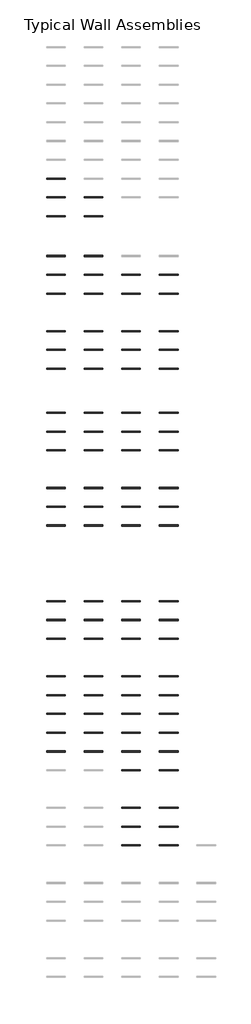
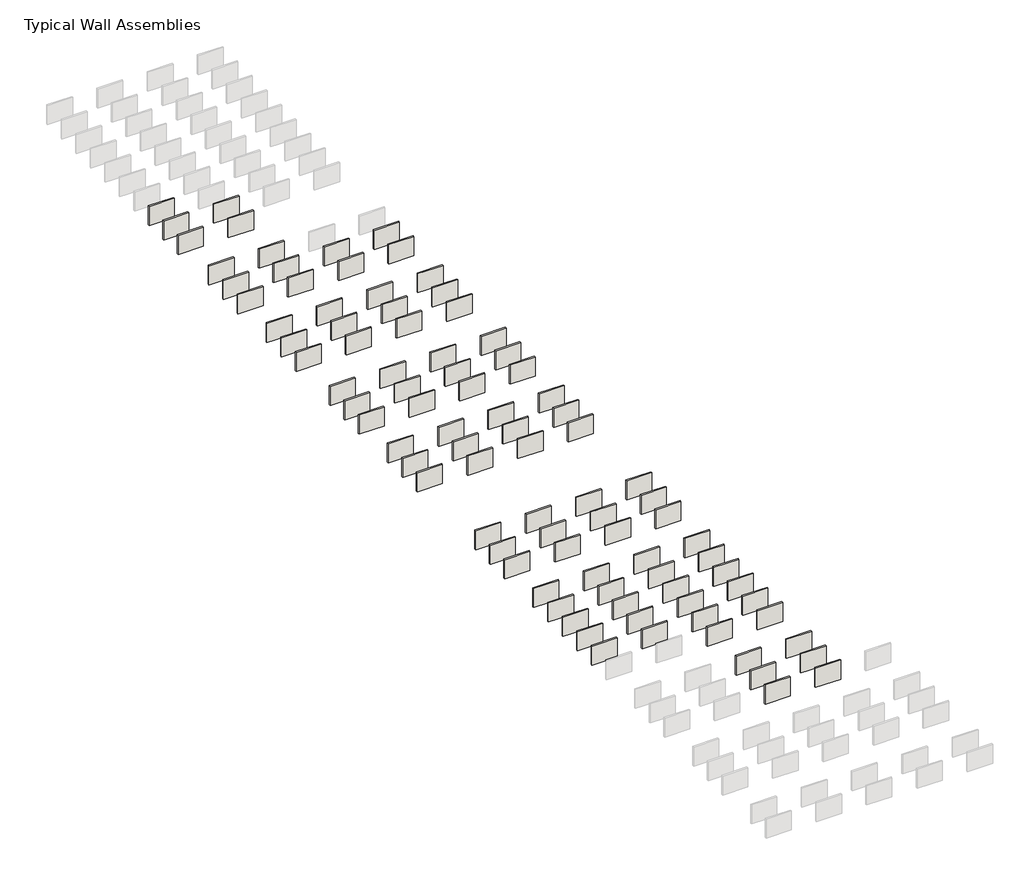
# One storey, part 2 of 8: 91 walls.
"""IFC4 building model written with IfcOpenShell, lengths in millimetres."""

from ifc_helpers import new_model, si_unit, frame, origin, place, context, project, spatial, polyline, outline, extrude, element, save

model = new_model("IFC4")

# Units and contexts
model_context = context("Model", 3, world=origin())
ifc_project = project(units=[si_unit("LENGTHUNIT", "METRE", prefix="MILLI")], contexts=[model_context])

# Site, building, storey
site = spatial("IfcSite", under=ifc_project)
building = spatial("IfcBuilding", under=site)
storey = spatial("IfcBuildingStorey", under=building, Name="Typical Wall Assemblies", Elevation=6096.0)

# Walls
placement = place(None, origin())
element("IfcWall", 1, at=placement, inside=storey, context=model_context, shape_type="SweptSolid", body=[
    extrude(outline(polyline([(-21027.125069, -62733.9091546), (-24075.125069, -62733.9091546), (-24075.125069, -62556.1218505), (-21027.125069, -62556.1218505), (-21027.125069, -62733.9091546)])), frame((0.0, 0.0, 6096.0), z_axis=(0.0, 0.0, 1.0), x_axis=(1.0, 0.0, 0.0)), (0.0, 0.0, 1.0), 2438.4),
])
element("IfcWall", 2, at=placement, inside=storey, context=model_context, shape_type="SweptSolid", body=[
    extrude(outline(polyline([(-21027.125069, -65781.9091546), (-24075.125069, -65781.9091546), (-24075.125069, -65604.1218505), (-21027.125069, -65604.1218505), (-21027.125069, -65781.9091546)])), frame((0.0, 0.0, 6096.0), z_axis=(0.0, 0.0, 1.0), x_axis=(1.0, 0.0, 0.0)), (0.0, 0.0, 1.0), 2438.4),
])
element("IfcWall", 3, at=placement, inside=storey, context=model_context, shape_type="SweptSolid", body=[
    extrude(outline(polyline([(-21027.125069, -68829.9091546), (-24075.125069, -68829.9091546), (-24075.125069, -68652.1218505), (-21027.125069, -68652.1218505), (-21027.125069, -68829.9091546)])), frame((0.0, 0.0, 6096.0), z_axis=(0.0, 0.0, 1.0), x_axis=(1.0, 0.0, 0.0)), (0.0, 0.0, 1.0), 2438.4),
])
element("IfcWall", 4, at=placement, inside=storey, context=model_context, shape_type="SweptSolid", body=[
    extrude(outline(polyline([(-21027.125069, -74925.9091546), (-24075.125069, -74925.9091546), (-24075.125069, -74748.1218505), (-21027.125069, -74748.1218505), (-21027.125069, -74925.9091546)])), frame((0.0, 0.0, 6096.0), z_axis=(0.0, 0.0, 1.0), x_axis=(1.0, 0.0, 0.0)), (0.0, 0.0, 1.0), 2438.4),
])
element("IfcWall", 5, at=placement, inside=storey, context=model_context, shape_type="SweptSolid", body=[
    extrude(outline(polyline([(-14931.125069, -62733.9091546), (-17979.125069, -62733.9091546), (-17979.125069, -62556.1218505), (-14931.125069, -62556.1218505), (-14931.125069, -62733.9091546)])), frame((0.0, 0.0, 6096.0), z_axis=(0.0, 0.0, 1.0), x_axis=(1.0, 0.0, 0.0)), (0.0, 0.0, 1.0), 2438.4),
])
element("IfcWall", 6, at=placement, inside=storey, context=model_context, shape_type="SweptSolid", body=[
    extrude(outline(polyline([(-14931.125069, -65781.9091546), (-17979.125069, -65781.9091546), (-17979.125069, -65604.1218505), (-14931.125069, -65604.1218505), (-14931.125069, -65781.9091546)])), frame((0.0, 0.0, 6096.0), z_axis=(0.0, 0.0, 1.0), x_axis=(1.0, 0.0, 0.0)), (0.0, 0.0, 1.0), 2438.4),
])
element("IfcWall", 7, at=placement, inside=storey, context=model_context, shape_type="SweptSolid", body=[
    extrude(outline(polyline([(-8835.125069, -65781.9091546), (-11883.125069, -65781.9091546), (-11883.125069, -65604.1218505), (-8835.125069, -65604.1218505), (-8835.125069, -65781.9091546)])), frame((0.0, 0.0, 6096.0), z_axis=(0.0, 0.0, 1.0), x_axis=(1.0, 0.0, 0.0)), (0.0, 0.0, 1.0), 2438.4),
])
element("IfcWall", 8, at=placement, inside=storey, context=model_context, shape_type="SweptSolid", body=[
    extrude(outline(polyline([(-2739.125069, -65781.9091546), (-5787.125069, -65781.9091546), (-5787.125069, -65604.1218505), (-2739.125069, -65604.1218505), (-2739.125069, -65781.9091546)])), frame((0.0, 0.0, 6096.0), z_axis=(0.0, 0.0, 1.0), x_axis=(1.0, 0.0, 0.0)), (0.0, 0.0, 1.0), 2438.4),
])
element("IfcWall", 9, at=placement, inside=storey, context=model_context, shape_type="SweptSolid", body=[
    extrude(outline(polyline([(-14931.125069, -68829.9091546), (-17979.125069, -68829.9091546), (-17979.125069, -68652.1218505), (-14931.125069, -68652.1218505), (-14931.125069, -68829.9091546)])), frame((0.0, 0.0, 6096.0), z_axis=(0.0, 0.0, 1.0), x_axis=(1.0, 0.0, 0.0)), (0.0, 0.0, 1.0), 2438.4),
])
element("IfcWall", 10, at=placement, inside=storey, context=model_context, shape_type="SweptSolid", body=[
    extrude(outline(polyline([(-8835.125069, -68829.9091546), (-11883.125069, -68829.9091546), (-11883.125069, -68652.1218505), (-8835.125069, -68652.1218505), (-8835.125069, -68829.9091546)])), frame((0.0, 0.0, 6096.0), z_axis=(0.0, 0.0, 1.0), x_axis=(1.0, 0.0, 0.0)), (0.0, 0.0, 1.0), 2438.4),
])
element("IfcWall", 11, at=placement, inside=storey, context=model_context, shape_type="SweptSolid", body=[
    extrude(outline(polyline([(-2739.125069, -68829.9091546), (-5787.125069, -68829.9091546), (-5787.125069, -68652.1218505), (-2739.125069, -68652.1218505), (-2739.125069, -68829.9091546)])), frame((0.0, 0.0, 6096.0), z_axis=(0.0, 0.0, 1.0), x_axis=(1.0, 0.0, 0.0)), (0.0, 0.0, 1.0), 2438.4),
])
element("IfcWall", 12, at=placement, inside=storey, context=model_context, shape_type="SweptSolid", body=[
    extrude(outline(polyline([(-14931.125069, -74925.9091546), (-17979.125069, -74925.9091546), (-17979.125069, -74748.1218505), (-14931.125069, -74748.1218505), (-14931.125069, -74925.9091546)])), frame((0.0, 0.0, 6096.0), z_axis=(0.0, 0.0, 1.0), x_axis=(1.0, 0.0, 0.0)), (0.0, 0.0, 1.0), 2438.4),
])
element("IfcWall", 13, at=placement, inside=storey, context=model_context, shape_type="SweptSolid", body=[
    extrude(outline(polyline([(-8835.125069, -74925.9091546), (-11883.125069, -74925.9091546), (-11883.125069, -74748.1218505), (-8835.125069, -74748.1218505), (-8835.125069, -74925.9091546)])), frame((0.0, 0.0, 6096.0), z_axis=(0.0, 0.0, 1.0), x_axis=(1.0, 0.0, 0.0)), (0.0, 0.0, 1.0), 2438.4),
])
element("IfcWall", 14, at=placement, inside=storey, context=model_context, shape_type="SweptSolid", body=[
    extrude(outline(polyline([(-2739.125069, -74925.9091546), (-5787.125069, -74925.9091546), (-5787.125069, -74748.1218505), (-2739.125069, -74748.1218505), (-2739.125069, -74925.9091546)])), frame((0.0, 0.0, 6096.0), z_axis=(0.0, 0.0, 1.0), x_axis=(1.0, 0.0, 0.0)), (0.0, 0.0, 1.0), 2438.4),
])
element("IfcWall", 15, at=placement, inside=storey, context=model_context, shape_type="SweptSolid", body=[
    extrude(outline(polyline([(-21027.125069, -77973.9091546), (-24075.125069, -77973.9091546), (-24075.125069, -77796.1218505), (-21027.125069, -77796.1218505), (-21027.125069, -77973.9091546)])), frame((0.0, 0.0, 6096.0), z_axis=(0.0, 0.0, 1.0), x_axis=(1.0, 0.0, 0.0)), (0.0, 0.0, 1.0), 2438.4),
])
element("IfcWall", 16, at=placement, inside=storey, context=model_context, shape_type="SweptSolid", body=[
    extrude(outline(polyline([(-21027.125069, -81021.9091546), (-24075.125069, -81021.9091546), (-24075.125069, -80844.1218505), (-21027.125069, -80844.1218505), (-21027.125069, -81021.9091546)])), frame((0.0, 0.0, 6096.0), z_axis=(0.0, 0.0, 1.0), x_axis=(1.0, 0.0, 0.0)), (0.0, 0.0, 1.0), 2438.4),
])
element("IfcWall", 17, at=placement, inside=storey, context=model_context, shape_type="SweptSolid", body=[
    extrude(outline(polyline([(-21027.125069, -118750.4405032), (-24075.125069, -118750.4405032), (-24075.125069, -118574.2279991), (-21027.125069, -118574.2279991), (-21027.125069, -118750.4405032)])), frame((0.0, 0.0, 6096.0), z_axis=(0.0, 0.0, 1.0), x_axis=(1.0, 0.0, 0.0)), (0.0, 0.0, 1.0), 2438.4),
])
element("IfcWall", 18, at=placement, inside=storey, context=model_context, shape_type="SweptSolid", body=[
    extrude(outline(polyline([(-21027.125069, -121798.4405032), (-24075.125069, -121798.4405032), (-24075.125069, -121622.2279991), (-21027.125069, -121622.2279991), (-21027.125069, -121798.4405032)])), frame((0.0, 0.0, 6096.0), z_axis=(0.0, 0.0, 1.0), x_axis=(1.0, 0.0, 0.0)), (0.0, 0.0, 1.0), 2438.4),
])
element("IfcWall", 19, at=placement, inside=storey, context=model_context, shape_type="SweptSolid", body=[
    extrude(outline(polyline([(-14931.125069, -77973.9091546), (-17979.125069, -77973.9091546), (-17979.125069, -77796.1218505), (-14931.125069, -77796.1218505), (-14931.125069, -77973.9091546)])), frame((0.0, 0.0, 6096.0), z_axis=(0.0, 0.0, 1.0), x_axis=(1.0, 0.0, 0.0)), (0.0, 0.0, 1.0), 2438.4),
])
element("IfcWall", 20, at=placement, inside=storey, context=model_context, shape_type="SweptSolid", body=[
    extrude(outline(polyline([(-8835.125069, -77973.9091546), (-11883.125069, -77973.9091546), (-11883.125069, -77796.1218505), (-8835.125069, -77796.1218505), (-8835.125069, -77973.9091546)])), frame((0.0, 0.0, 6096.0), z_axis=(0.0, 0.0, 1.0), x_axis=(1.0, 0.0, 0.0)), (0.0, 0.0, 1.0), 2438.4),
])
element("IfcWall", 21, at=placement, inside=storey, context=model_context, shape_type="SweptSolid", body=[
    extrude(outline(polyline([(-2739.125069, -77973.9091546), (-5787.125069, -77973.9091546), (-5787.125069, -77796.1218505), (-2739.125069, -77796.1218505), (-2739.125069, -77973.9091546)])), frame((0.0, 0.0, 6096.0), z_axis=(0.0, 0.0, 1.0), x_axis=(1.0, 0.0, 0.0)), (0.0, 0.0, 1.0), 2438.4),
])
element("IfcWall", 22, at=placement, inside=storey, context=model_context, shape_type="SweptSolid", body=[
    extrude(outline(polyline([(-14931.125069, -81021.9091546), (-17979.125069, -81021.9091546), (-17979.125069, -80844.1218505), (-14931.125069, -80844.1218505), (-14931.125069, -81021.9091546)])), frame((0.0, 0.0, 6096.0), z_axis=(0.0, 0.0, 1.0), x_axis=(1.0, 0.0, 0.0)), (0.0, 0.0, 1.0), 2438.4),
])
element("IfcWall", 23, at=placement, inside=storey, context=model_context, shape_type="SweptSolid", body=[
    extrude(outline(polyline([(-8835.125069, -81021.9091546), (-11883.125069, -81021.9091546), (-11883.125069, -80844.1218505), (-8835.125069, -80844.1218505), (-8835.125069, -81021.9091546)])), frame((0.0, 0.0, 6096.0), z_axis=(0.0, 0.0, 1.0), x_axis=(1.0, 0.0, 0.0)), (0.0, 0.0, 1.0), 2438.4),
])
element("IfcWall", 24, at=placement, inside=storey, context=model_context, shape_type="SweptSolid", body=[
    extrude(outline(polyline([(-2739.125069, -81021.9091546), (-5787.125069, -81021.9091546), (-5787.125069, -80844.1218505), (-2739.125069, -80844.1218505), (-2739.125069, -81021.9091546)])), frame((0.0, 0.0, 6096.0), z_axis=(0.0, 0.0, 1.0), x_axis=(1.0, 0.0, 0.0)), (0.0, 0.0, 1.0), 2438.4),
])
element("IfcWall", 25, at=placement, inside=storey, context=model_context, shape_type="SweptSolid", body=[
    extrude(outline(polyline([(-14931.125069, -118750.4405032), (-17979.125069, -118750.4405032), (-17979.125069, -118574.2279991), (-14931.125069, -118574.2279991), (-14931.125069, -118750.4405032)])), frame((0.0, 0.0, 6096.0), z_axis=(0.0, 0.0, 1.0), x_axis=(1.0, 0.0, 0.0)), (0.0, 0.0, 1.0), 2438.4),
])
element("IfcWall", 26, at=placement, inside=storey, context=model_context, shape_type="SweptSolid", body=[
    extrude(outline(polyline([(-8835.125069, -118750.4405032), (-11883.125069, -118750.4405032), (-11883.125069, -118574.2279991), (-8835.125069, -118574.2279991), (-8835.125069, -118750.4405032)])), frame((0.0, 0.0, 6096.0), z_axis=(0.0, 0.0, 1.0), x_axis=(1.0, 0.0, 0.0)), (0.0, 0.0, 1.0), 2438.4),
])
element("IfcWall", 27, at=placement, inside=storey, context=model_context, shape_type="SweptSolid", body=[
    extrude(outline(polyline([(-2739.125069, -118750.4405032), (-5787.125069, -118750.4405032), (-5787.125069, -118574.2279991), (-2739.125069, -118574.2279991), (-2739.125069, -118750.4405032)])), frame((0.0, 0.0, 6096.0), z_axis=(0.0, 0.0, 1.0), x_axis=(1.0, 0.0, 0.0)), (0.0, 0.0, 1.0), 2438.4),
])
element("IfcWall", 28, at=placement, inside=storey, context=model_context, shape_type="SweptSolid", body=[
    extrude(outline(polyline([(-14931.125069, -121798.4405032), (-17979.125069, -121798.4405032), (-17979.125069, -121622.2279991), (-14931.125069, -121622.2279991), (-14931.125069, -121798.4405032)])), frame((0.0, 0.0, 6096.0), z_axis=(0.0, 0.0, 1.0), x_axis=(1.0, 0.0, 0.0)), (0.0, 0.0, 1.0), 2438.4),
])
element("IfcWall", 29, at=placement, inside=storey, context=model_context, shape_type="SweptSolid", body=[
    extrude(outline(polyline([(-8835.125069, -121798.4405032), (-11883.125069, -121798.4405032), (-11883.125069, -121622.2279991), (-8835.125069, -121622.2279991), (-8835.125069, -121798.4405032)])), frame((0.0, 0.0, 6096.0), z_axis=(0.0, 0.0, 1.0), x_axis=(1.0, 0.0, 0.0)), (0.0, 0.0, 1.0), 2438.4),
])
element("IfcWall", 30, at=placement, inside=storey, context=model_context, shape_type="SweptSolid", body=[
    extrude(outline(polyline([(-2739.125069, -121798.4405032), (-5787.125069, -121798.4405032), (-5787.125069, -121622.2279991), (-2739.125069, -121622.2279991), (-2739.125069, -121798.4405032)])), frame((0.0, 0.0, 6096.0), z_axis=(0.0, 0.0, 1.0), x_axis=(1.0, 0.0, 0.0)), (0.0, 0.0, 1.0), 2438.4),
])
element("IfcWall", 31, at=placement, inside=storey, context=model_context, shape_type="SweptSolid", body=[
    extrude(outline(polyline([(-21027.125069, -124846.4405032), (-24075.125069, -124846.4405032), (-24075.125069, -124670.2279991), (-21027.125069, -124670.2279991), (-21027.125069, -124846.4405032)])), frame((0.0, 0.0, 6096.0), z_axis=(0.0, 0.0, 1.0), x_axis=(1.0, 0.0, 0.0)), (0.0, 0.0, 1.0), 2438.4),
])
element("IfcWall", 32, at=placement, inside=storey, context=model_context, shape_type="SweptSolid", body=[
    extrude(outline(polyline([(-21027.125069, -130942.4405032), (-24075.125069, -130942.4405032), (-24075.125069, -130766.2279991), (-21027.125069, -130766.2279991), (-21027.125069, -130942.4405032)])), frame((0.0, 0.0, 6096.0), z_axis=(0.0, 0.0, 1.0), x_axis=(1.0, 0.0, 0.0)), (0.0, 0.0, 1.0), 2438.4),
])
element("IfcWall", 33, at=placement, inside=storey, context=model_context, shape_type="SweptSolid", body=[
    extrude(outline(polyline([(-21027.125069, -133990.4405032), (-24075.125069, -133990.4405032), (-24075.125069, -133814.2279991), (-21027.125069, -133814.2279991), (-21027.125069, -133990.4405032)])), frame((0.0, 0.0, 6096.0), z_axis=(0.0, 0.0, 1.0), x_axis=(1.0, 0.0, 0.0)), (0.0, 0.0, 1.0), 2438.4),
])
element("IfcWall", 34, at=placement, inside=storey, context=model_context, shape_type="SweptSolid", body=[
    extrude(outline(polyline([(-21027.125069, -137038.4405032), (-24075.125069, -137038.4405032), (-24075.125069, -136862.2279991), (-21027.125069, -136862.2279991), (-21027.125069, -137038.4405032)])), frame((0.0, 0.0, 6096.0), z_axis=(0.0, 0.0, 1.0), x_axis=(1.0, 0.0, 0.0)), (0.0, 0.0, 1.0), 2438.4),
])
element("IfcWall", 35, at=placement, inside=storey, context=model_context, shape_type="SweptSolid", body=[
    extrude(outline(polyline([(-14931.125069, -124846.4405032), (-17979.125069, -124846.4405032), (-17979.125069, -124670.2279991), (-14931.125069, -124670.2279991), (-14931.125069, -124846.4405032)])), frame((0.0, 0.0, 6096.0), z_axis=(0.0, 0.0, 1.0), x_axis=(1.0, 0.0, 0.0)), (0.0, 0.0, 1.0), 2438.4),
])
element("IfcWall", 36, at=placement, inside=storey, context=model_context, shape_type="SweptSolid", body=[
    extrude(outline(polyline([(-8835.125069, -124846.4405032), (-11883.125069, -124846.4405032), (-11883.125069, -124670.2279991), (-8835.125069, -124670.2279991), (-8835.125069, -124846.4405032)])), frame((0.0, 0.0, 6096.0), z_axis=(0.0, 0.0, 1.0), x_axis=(1.0, 0.0, 0.0)), (0.0, 0.0, 1.0), 2438.4),
])
element("IfcWall", 37, at=placement, inside=storey, context=model_context, shape_type="SweptSolid", body=[
    extrude(outline(polyline([(-2739.125069, -124846.4405032), (-5787.125069, -124846.4405032), (-5787.125069, -124670.2279991), (-2739.125069, -124670.2279991), (-2739.125069, -124846.4405032)])), frame((0.0, 0.0, 6096.0), z_axis=(0.0, 0.0, 1.0), x_axis=(1.0, 0.0, 0.0)), (0.0, 0.0, 1.0), 2438.4),
])
element("IfcWall", 38, at=placement, inside=storey, context=model_context, shape_type="SweptSolid", body=[
    extrude(outline(polyline([(-14931.125069, -130942.4405032), (-17979.125069, -130942.4405032), (-17979.125069, -130766.2279991), (-14931.125069, -130766.2279991), (-14931.125069, -130942.4405032)])), frame((0.0, 0.0, 6096.0), z_axis=(0.0, 0.0, 1.0), x_axis=(1.0, 0.0, 0.0)), (0.0, 0.0, 1.0), 2438.4),
])
element("IfcWall", 39, at=placement, inside=storey, context=model_context, shape_type="SweptSolid", body=[
    extrude(outline(polyline([(-8835.125069, -130942.4405032), (-11883.125069, -130942.4405032), (-11883.125069, -130766.2279991), (-8835.125069, -130766.2279991), (-8835.125069, -130942.4405032)])), frame((0.0, 0.0, 6096.0), z_axis=(0.0, 0.0, 1.0), x_axis=(1.0, 0.0, 0.0)), (0.0, 0.0, 1.0), 2438.4),
])
element("IfcWall", 40, at=placement, inside=storey, context=model_context, shape_type="SweptSolid", body=[
    extrude(outline(polyline([(-2739.125069, -130942.4405032), (-5787.125069, -130942.4405032), (-5787.125069, -130766.2279991), (-2739.125069, -130766.2279991), (-2739.125069, -130942.4405032)])), frame((0.0, 0.0, 6096.0), z_axis=(0.0, 0.0, 1.0), x_axis=(1.0, 0.0, 0.0)), (0.0, 0.0, 1.0), 2438.4),
])
element("IfcWall", 41, at=placement, inside=storey, context=model_context, shape_type="SweptSolid", body=[
    extrude(outline(polyline([(-14931.125069, -133990.4405032), (-17979.125069, -133990.4405032), (-17979.125069, -133814.2279991), (-14931.125069, -133814.2279991), (-14931.125069, -133990.4405032)])), frame((0.0, 0.0, 6096.0), z_axis=(0.0, 0.0, 1.0), x_axis=(1.0, 0.0, 0.0)), (0.0, 0.0, 1.0), 2438.4),
])
element("IfcWall", 42, at=placement, inside=storey, context=model_context, shape_type="SweptSolid", body=[
    extrude(outline(polyline([(-8835.125069, -133990.4405032), (-11883.125069, -133990.4405032), (-11883.125069, -133814.2279991), (-8835.125069, -133814.2279991), (-8835.125069, -133990.4405032)])), frame((0.0, 0.0, 6096.0), z_axis=(0.0, 0.0, 1.0), x_axis=(1.0, 0.0, 0.0)), (0.0, 0.0, 1.0), 2438.4),
])
element("IfcWall", 43, at=placement, inside=storey, context=model_context, shape_type="SweptSolid", body=[
    extrude(outline(polyline([(-2739.125069, -133990.4405032), (-5787.125069, -133990.4405032), (-5787.125069, -133814.2279991), (-2739.125069, -133814.2279991), (-2739.125069, -133990.4405032)])), frame((0.0, 0.0, 6096.0), z_axis=(0.0, 0.0, 1.0), x_axis=(1.0, 0.0, 0.0)), (0.0, 0.0, 1.0), 2438.4),
])
element("IfcWall", 44, at=placement, inside=storey, context=model_context, shape_type="SweptSolid", body=[
    extrude(outline(polyline([(-14931.125069, -137038.4405032), (-17979.125069, -137038.4405032), (-17979.125069, -136862.2279991), (-14931.125069, -136862.2279991), (-14931.125069, -137038.4405032)])), frame((0.0, 0.0, 6096.0), z_axis=(0.0, 0.0, 1.0), x_axis=(1.0, 0.0, 0.0)), (0.0, 0.0, 1.0), 2438.4),
])
element("IfcWall", 45, at=placement, inside=storey, context=model_context, shape_type="SweptSolid", body=[
    extrude(outline(polyline([(-8835.125069, -137038.4405032), (-11883.125069, -137038.4405032), (-11883.125069, -136862.2279991), (-8835.125069, -136862.2279991), (-8835.125069, -137038.4405032)])), frame((0.0, 0.0, 6096.0), z_axis=(0.0, 0.0, 1.0), x_axis=(1.0, 0.0, 0.0)), (0.0, 0.0, 1.0), 2438.4),
])
element("IfcWall", 46, at=placement, inside=storey, context=model_context, shape_type="SweptSolid", body=[
    extrude(outline(polyline([(-2739.125069, -137038.4405032), (-5787.125069, -137038.4405032), (-5787.125069, -136862.2279991), (-2739.125069, -136862.2279991), (-2739.125069, -137038.4405032)])), frame((0.0, 0.0, 6096.0), z_axis=(0.0, 0.0, 1.0), x_axis=(1.0, 0.0, 0.0)), (0.0, 0.0, 1.0), 2438.4),
])
element("IfcWall", 47, at=placement, inside=storey, context=model_context, shape_type="SweptSolid", body=[
    extrude(outline(polyline([(-21027.125069, -140086.4405032), (-24075.125069, -140086.4405032), (-24075.125069, -139910.2279991), (-21027.125069, -139910.2279991), (-21027.125069, -140086.4405032)])), frame((0.0, 0.0, 6096.0), z_axis=(0.0, 0.0, 1.0), x_axis=(1.0, 0.0, 0.0)), (0.0, 0.0, 1.0), 2438.4),
])
element("IfcWall", 48, at=placement, inside=storey, context=model_context, shape_type="SweptSolid", body=[
    extrude(outline(polyline([(-21027.125069, -143134.4405032), (-24075.125069, -143134.4405032), (-24075.125069, -142958.2279991), (-21027.125069, -142958.2279991), (-21027.125069, -143134.4405032)])), frame((0.0, 0.0, 6096.0), z_axis=(0.0, 0.0, 1.0), x_axis=(1.0, 0.0, 0.0)), (0.0, 0.0, 1.0), 2438.4),
])
element("IfcWall", 49, at=placement, inside=storey, context=model_context, shape_type="SweptSolid", body=[
    extrude(outline(polyline([(-14931.125069, -140086.4405032), (-17979.125069, -140086.4405032), (-17979.125069, -139910.2279991), (-14931.125069, -139910.2279991), (-14931.125069, -140086.4405032)])), frame((0.0, 0.0, 6096.0), z_axis=(0.0, 0.0, 1.0), x_axis=(1.0, 0.0, 0.0)), (0.0, 0.0, 1.0), 2438.4),
])
element("IfcWall", 50, at=placement, inside=storey, context=model_context, shape_type="SweptSolid", body=[
    extrude(outline(polyline([(-8835.125069, -140086.4405032), (-11883.125069, -140086.4405032), (-11883.125069, -139910.2279991), (-8835.125069, -139910.2279991), (-8835.125069, -140086.4405032)])), frame((0.0, 0.0, 6096.0), z_axis=(0.0, 0.0, 1.0), x_axis=(1.0, 0.0, 0.0)), (0.0, 0.0, 1.0), 2438.4),
])
element("IfcWall", 51, at=placement, inside=storey, context=model_context, shape_type="SweptSolid", body=[
    extrude(outline(polyline([(-2739.125069, -140086.4405032), (-5787.125069, -140086.4405032), (-5787.125069, -139910.2279991), (-2739.125069, -139910.2279991), (-2739.125069, -140086.4405032)])), frame((0.0, 0.0, 6096.0), z_axis=(0.0, 0.0, 1.0), x_axis=(1.0, 0.0, 0.0)), (0.0, 0.0, 1.0), 2438.4),
])
element("IfcWall", 52, at=placement, inside=storey, context=model_context, shape_type="SweptSolid", body=[
    extrude(outline(polyline([(-14931.125069, -143134.4405032), (-17979.125069, -143134.4405032), (-17979.125069, -142958.2279991), (-14931.125069, -142958.2279991), (-14931.125069, -143134.4405032)])), frame((0.0, 0.0, 6096.0), z_axis=(0.0, 0.0, 1.0), x_axis=(1.0, 0.0, 0.0)), (0.0, 0.0, 1.0), 2438.4),
])
element("IfcWall", 53, at=placement, inside=storey, context=model_context, shape_type="SweptSolid", body=[
    extrude(outline(polyline([(-8835.125069, -143134.4405032), (-11883.125069, -143134.4405032), (-11883.125069, -142958.2279991), (-8835.125069, -142958.2279991), (-8835.125069, -143134.4405032)])), frame((0.0, 0.0, 6096.0), z_axis=(0.0, 0.0, 1.0), x_axis=(1.0, 0.0, 0.0)), (0.0, 0.0, 1.0), 2438.4),
])
element("IfcWall", 54, at=placement, inside=storey, context=model_context, shape_type="SweptSolid", body=[
    extrude(outline(polyline([(-2739.125069, -143134.4405032), (-5787.125069, -143134.4405032), (-5787.125069, -142958.2279991), (-2739.125069, -142958.2279991), (-2739.125069, -143134.4405032)])), frame((0.0, 0.0, 6096.0), z_axis=(0.0, 0.0, 1.0), x_axis=(1.0, 0.0, 0.0)), (0.0, 0.0, 1.0), 2438.4),
])
element("IfcWall", 55, at=placement, inside=storey, context=model_context, shape_type="SweptSolid", body=[
    extrude(outline(polyline([(-8835.125069, -146182.4405032), (-11883.125069, -146182.4405032), (-11883.125069, -146006.2279991), (-8835.125069, -146006.2279991), (-8835.125069, -146182.4405032)])), frame((0.0, 0.0, 6096.0), z_axis=(0.0, 0.0, 1.0), x_axis=(1.0, 0.0, 0.0)), (0.0, 0.0, 1.0), 2438.4),
])
element("IfcWall", 56, at=placement, inside=storey, context=model_context, shape_type="SweptSolid", body=[
    extrude(outline(polyline([(-2739.125069, -146182.4405032), (-5787.125069, -146182.4405032), (-5787.125069, -146006.2279991), (-2739.125069, -146006.2279991), (-2739.125069, -146182.4405032)])), frame((0.0, 0.0, 6096.0), z_axis=(0.0, 0.0, 1.0), x_axis=(1.0, 0.0, 0.0)), (0.0, 0.0, 1.0), 2438.4),
])
element("IfcWall", 57, at=placement, inside=storey, context=model_context, shape_type="SweptSolid", body=[
    extrude(outline(polyline([(-8835.125069, -152279.2279032), (-11883.125069, -152279.2279032), (-11883.125069, -152101.4405991), (-8835.125069, -152101.4405991), (-8835.125069, -152279.2279032)])), frame((0.0, 0.0, 6096.0), z_axis=(0.0, 0.0, 1.0), x_axis=(1.0, 0.0, 0.0)), (0.0, 0.0, 1.0), 2438.4),
])
element("IfcWall", 58, at=placement, inside=storey, context=model_context, shape_type="SweptSolid", body=[
    extrude(outline(polyline([(-2739.125069, -152279.2279032), (-5787.125069, -152279.2279032), (-5787.125069, -152101.4405991), (-2739.125069, -152101.4405991), (-2739.125069, -152279.2279032)])), frame((0.0, 0.0, 6096.0), z_axis=(0.0, 0.0, 1.0), x_axis=(1.0, 0.0, 0.0)), (0.0, 0.0, 1.0), 2438.4),
])
element("IfcWall", 59, at=placement, inside=storey, context=model_context, shape_type="SweptSolid", body=[
    extrude(outline(polyline([(-8835.125069, -155327.2279032), (-11883.125069, -155327.2279032), (-11883.125069, -155149.4405991), (-8835.125069, -155149.4405991), (-8835.125069, -155327.2279032)])), frame((0.0, 0.0, 6096.0), z_axis=(0.0, 0.0, 1.0), x_axis=(1.0, 0.0, 0.0)), (0.0, 0.0, 1.0), 2438.4),
])
element("IfcWall", 60, at=placement, inside=storey, context=model_context, shape_type="SweptSolid", body=[
    extrude(outline(polyline([(-2739.125069, -155327.2279032), (-5787.125069, -155327.2279032), (-5787.125069, -155149.4405991), (-2739.125069, -155149.4405991), (-2739.125069, -155327.2279032)])), frame((0.0, 0.0, 6096.0), z_axis=(0.0, 0.0, 1.0), x_axis=(1.0, 0.0, 0.0)), (0.0, 0.0, 1.0), 2438.4),
])
element("IfcWall", 61, at=placement, inside=storey, context=model_context, shape_type="SweptSolid", body=[
    extrude(outline(polyline([(-8835.125069, -158375.2279032), (-11883.125069, -158375.2279032), (-11883.125069, -158197.4405991), (-8835.125069, -158197.4405991), (-8835.125069, -158375.2279032)])), frame((0.0, 0.0, 6096.0), z_axis=(0.0, 0.0, 1.0), x_axis=(1.0, 0.0, 0.0)), (0.0, 0.0, 1.0), 2438.4),
])
element("IfcWall", 62, at=placement, inside=storey, context=model_context, shape_type="SweptSolid", body=[
    extrude(outline(polyline([(-2739.125069, -158375.2279032), (-5787.125069, -158375.2279032), (-5787.125069, -158197.4405991), (-2739.125069, -158197.4405991), (-2739.125069, -158375.2279032)])), frame((0.0, 0.0, 6096.0), z_axis=(0.0, 0.0, 1.0), x_axis=(1.0, 0.0, 0.0)), (0.0, 0.0, 1.0), 2438.4),
])
element("IfcWall", 63, at=placement, inside=storey, context=model_context, shape_type="SweptSolid", body=[
    extrude(outline(polyline([(-21027.125069, -50175.446361), (-24075.125069, -50175.446361), (-24075.125069, -49997.6590569), (-21027.125069, -49997.6590569), (-21027.125069, -50175.446361)])), frame((0.0, 0.0, 6096.0), z_axis=(0.0, 0.0, 1.0), x_axis=(1.0, 0.0, 0.0)), (0.0, 0.0, 1.0), 2438.4),
])
element("IfcWall", 64, at=placement, inside=storey, context=model_context, shape_type="SweptSolid", body=[
    extrude(outline(polyline([(-21027.125069, -53223.446361), (-24075.125069, -53223.446361), (-24075.125069, -53045.6590569), (-21027.125069, -53045.6590569), (-21027.125069, -53223.446361)])), frame((0.0, 0.0, 6096.0), z_axis=(0.0, 0.0, 1.0), x_axis=(1.0, 0.0, 0.0)), (0.0, 0.0, 1.0), 2438.4),
])
element("IfcWall", 65, at=placement, inside=storey, context=model_context, shape_type="SweptSolid", body=[
    extrude(outline(polyline([(-21027.125069, -56271.446361), (-24075.125069, -56271.446361), (-24075.125069, -56093.6590569), (-21027.125069, -56093.6590569), (-21027.125069, -56271.446361)])), frame((0.0, 0.0, 6096.0), z_axis=(0.0, 0.0, 1.0), x_axis=(1.0, 0.0, 0.0)), (0.0, 0.0, 1.0), 2438.4),
])
element("IfcWall", 66, at=placement, inside=storey, context=model_context, shape_type="SweptSolid", body=[
    extrude(outline(polyline([(-14931.125069, -53223.446361), (-17979.125069, -53223.446361), (-17979.125069, -53045.6590569), (-14931.125069, -53045.6590569), (-14931.125069, -53223.446361)])), frame((0.0, 0.0, 6096.0), z_axis=(0.0, 0.0, 1.0), x_axis=(1.0, 0.0, 0.0)), (0.0, 0.0, 1.0), 2438.4),
])
element("IfcWall", 67, at=placement, inside=storey, context=model_context, shape_type="SweptSolid", body=[
    extrude(outline(polyline([(-14931.125069, -56271.446361), (-17979.125069, -56271.446361), (-17979.125069, -56093.6590569), (-14931.125069, -56093.6590569), (-14931.125069, -56271.446361)])), frame((0.0, 0.0, 6096.0), z_axis=(0.0, 0.0, 1.0), x_axis=(1.0, 0.0, 0.0)), (0.0, 0.0, 1.0), 2438.4),
])
element("IfcWall", 68, at=placement, inside=storey, context=model_context, shape_type="SweptSolid", body=[
    extrude(outline(polyline([(-21027.125069, -88184.7091546), (-24075.125069, -88184.7091546), (-24075.125069, -88006.9218505), (-21027.125069, -88006.9218505), (-21027.125069, -88184.7091546)])), frame((0.0, 0.0, 6096.0), z_axis=(0.0, 0.0, 1.0), x_axis=(1.0, 0.0, 0.0)), (0.0, 0.0, 1.0), 2438.4),
])
element("IfcWall", 69, at=placement, inside=storey, context=model_context, shape_type="SweptSolid", body=[
    extrude(outline(polyline([(-21027.125069, -91232.7091546), (-24075.125069, -91232.7091546), (-24075.125069, -91054.9218505), (-21027.125069, -91054.9218505), (-21027.125069, -91232.7091546)])), frame((0.0, 0.0, 6096.0), z_axis=(0.0, 0.0, 1.0), x_axis=(1.0, 0.0, 0.0)), (0.0, 0.0, 1.0), 2438.4),
])
element("IfcWall", 70, at=placement, inside=storey, context=model_context, shape_type="SweptSolid", body=[
    extrude(outline(polyline([(-21027.125069, -94280.7091546), (-24075.125069, -94280.7091546), (-24075.125069, -94102.9218505), (-21027.125069, -94102.9218505), (-21027.125069, -94280.7091546)])), frame((0.0, 0.0, 6096.0), z_axis=(0.0, 0.0, 1.0), x_axis=(1.0, 0.0, 0.0)), (0.0, 0.0, 1.0), 2438.4),
])
element("IfcWall", 71, at=placement, inside=storey, context=model_context, shape_type="SweptSolid", body=[
    extrude(outline(polyline([(-21027.125069, -100376.7091546), (-24075.125069, -100376.7091546), (-24075.125069, -100198.9218505), (-21027.125069, -100198.9218505), (-21027.125069, -100376.7091546)])), frame((0.0, 0.0, 6096.0), z_axis=(0.0, 0.0, 1.0), x_axis=(1.0, 0.0, 0.0)), (0.0, 0.0, 1.0), 2438.4),
])
element("IfcWall", 72, at=placement, inside=storey, context=model_context, shape_type="SweptSolid", body=[
    extrude(outline(polyline([(-14931.125069, -88184.7091546), (-17979.125069, -88184.7091546), (-17979.125069, -88006.9218505), (-14931.125069, -88006.9218505), (-14931.125069, -88184.7091546)])), frame((0.0, 0.0, 6096.0), z_axis=(0.0, 0.0, 1.0), x_axis=(1.0, 0.0, 0.0)), (0.0, 0.0, 1.0), 2438.4),
])
element("IfcWall", 73, at=placement, inside=storey, context=model_context, shape_type="SweptSolid", body=[
    extrude(outline(polyline([(-8835.125069, -88184.7091546), (-11883.125069, -88184.7091546), (-11883.125069, -88006.9218505), (-8835.125069, -88006.9218505), (-8835.125069, -88184.7091546)])), frame((0.0, 0.0, 6096.0), z_axis=(0.0, 0.0, 1.0), x_axis=(1.0, 0.0, 0.0)), (0.0, 0.0, 1.0), 2438.4),
])
element("IfcWall", 74, at=placement, inside=storey, context=model_context, shape_type="SweptSolid", body=[
    extrude(outline(polyline([(-2739.125069, -88184.7091546), (-5787.125069, -88184.7091546), (-5787.125069, -88006.9218505), (-2739.125069, -88006.9218505), (-2739.125069, -88184.7091546)])), frame((0.0, 0.0, 6096.0), z_axis=(0.0, 0.0, 1.0), x_axis=(1.0, 0.0, 0.0)), (0.0, 0.0, 1.0), 2438.4),
])
element("IfcWall", 75, at=placement, inside=storey, context=model_context, shape_type="SweptSolid", body=[
    extrude(outline(polyline([(-14931.125069, -91232.7091546), (-17979.125069, -91232.7091546), (-17979.125069, -91054.9218505), (-14931.125069, -91054.9218505), (-14931.125069, -91232.7091546)])), frame((0.0, 0.0, 6096.0), z_axis=(0.0, 0.0, 1.0), x_axis=(1.0, 0.0, 0.0)), (0.0, 0.0, 1.0), 2438.4),
])
element("IfcWall", 76, at=placement, inside=storey, context=model_context, shape_type="SweptSolid", body=[
    extrude(outline(polyline([(-8835.125069, -91232.7091546), (-11883.125069, -91232.7091546), (-11883.125069, -91054.9218505), (-8835.125069, -91054.9218505), (-8835.125069, -91232.7091546)])), frame((0.0, 0.0, 6096.0), z_axis=(0.0, 0.0, 1.0), x_axis=(1.0, 0.0, 0.0)), (0.0, 0.0, 1.0), 2438.4),
])
element("IfcWall", 77, at=placement, inside=storey, context=model_context, shape_type="SweptSolid", body=[
    extrude(outline(polyline([(-2739.125069, -91232.7091546), (-5787.125069, -91232.7091546), (-5787.125069, -91054.9218505), (-2739.125069, -91054.9218505), (-2739.125069, -91232.7091546)])), frame((0.0, 0.0, 6096.0), z_axis=(0.0, 0.0, 1.0), x_axis=(1.0, 0.0, 0.0)), (0.0, 0.0, 1.0), 2438.4),
])
element("IfcWall", 78, at=placement, inside=storey, context=model_context, shape_type="SweptSolid", body=[
    extrude(outline(polyline([(-14931.125069, -94280.7091546), (-17979.125069, -94280.7091546), (-17979.125069, -94102.9218505), (-14931.125069, -94102.9218505), (-14931.125069, -94280.7091546)])), frame((0.0, 0.0, 6096.0), z_axis=(0.0, 0.0, 1.0), x_axis=(1.0, 0.0, 0.0)), (0.0, 0.0, 1.0), 2438.4),
])
element("IfcWall", 79, at=placement, inside=storey, context=model_context, shape_type="SweptSolid", body=[
    extrude(outline(polyline([(-8835.125069, -94280.7091546), (-11883.125069, -94280.7091546), (-11883.125069, -94102.9218505), (-8835.125069, -94102.9218505), (-8835.125069, -94280.7091546)])), frame((0.0, 0.0, 6096.0), z_axis=(0.0, 0.0, 1.0), x_axis=(1.0, 0.0, 0.0)), (0.0, 0.0, 1.0), 2438.4),
])
element("IfcWall", 80, at=placement, inside=storey, context=model_context, shape_type="SweptSolid", body=[
    extrude(outline(polyline([(-2739.125069, -94280.7091546), (-5787.125069, -94280.7091546), (-5787.125069, -94102.9218505), (-2739.125069, -94102.9218505), (-2739.125069, -94280.7091546)])), frame((0.0, 0.0, 6096.0), z_axis=(0.0, 0.0, 1.0), x_axis=(1.0, 0.0, 0.0)), (0.0, 0.0, 1.0), 2438.4),
])
element("IfcWall", 81, at=placement, inside=storey, context=model_context, shape_type="SweptSolid", body=[
    extrude(outline(polyline([(-14931.125069, -100376.7091546), (-17979.125069, -100376.7091546), (-17979.125069, -100198.9218505), (-14931.125069, -100198.9218505), (-14931.125069, -100376.7091546)])), frame((0.0, 0.0, 6096.0), z_axis=(0.0, 0.0, 1.0), x_axis=(1.0, 0.0, 0.0)), (0.0, 0.0, 1.0), 2438.4),
])
element("IfcWall", 82, at=placement, inside=storey, context=model_context, shape_type="SweptSolid", body=[
    extrude(outline(polyline([(-8835.125069, -100376.7091546), (-11883.125069, -100376.7091546), (-11883.125069, -100198.9218505), (-8835.125069, -100198.9218505), (-8835.125069, -100376.7091546)])), frame((0.0, 0.0, 6096.0), z_axis=(0.0, 0.0, 1.0), x_axis=(1.0, 0.0, 0.0)), (0.0, 0.0, 1.0), 2438.4),
])
element("IfcWall", 83, at=placement, inside=storey, context=model_context, shape_type="SweptSolid", body=[
    extrude(outline(polyline([(-2739.125069, -100376.7091546), (-5787.125069, -100376.7091546), (-5787.125069, -100198.9218505), (-2739.125069, -100198.9218505), (-2739.125069, -100376.7091546)])), frame((0.0, 0.0, 6096.0), z_axis=(0.0, 0.0, 1.0), x_axis=(1.0, 0.0, 0.0)), (0.0, 0.0, 1.0), 2438.4),
])
element("IfcWall", 84, at=placement, inside=storey, context=model_context, shape_type="SweptSolid", body=[
    extrude(outline(polyline([(-21027.125069, -103424.7091546), (-24075.125069, -103424.7091546), (-24075.125069, -103246.9218505), (-21027.125069, -103246.9218505), (-21027.125069, -103424.7091546)])), frame((0.0, 0.0, 6096.0), z_axis=(0.0, 0.0, 1.0), x_axis=(1.0, 0.0, 0.0)), (0.0, 0.0, 1.0), 2438.4),
])
element("IfcWall", 85, at=placement, inside=storey, context=model_context, shape_type="SweptSolid", body=[
    extrude(outline(polyline([(-21027.125069, -106472.7091546), (-24075.125069, -106472.7091546), (-24075.125069, -106294.9218505), (-21027.125069, -106294.9218505), (-21027.125069, -106472.7091546)])), frame((0.0, 0.0, 6096.0), z_axis=(0.0, 0.0, 1.0), x_axis=(1.0, 0.0, 0.0)), (0.0, 0.0, 1.0), 2438.4),
])
element("IfcWall", 86, at=placement, inside=storey, context=model_context, shape_type="SweptSolid", body=[
    extrude(outline(polyline([(-14931.125069, -103424.7091546), (-17979.125069, -103424.7091546), (-17979.125069, -103246.9218505), (-14931.125069, -103246.9218505), (-14931.125069, -103424.7091546)])), frame((0.0, 0.0, 6096.0), z_axis=(0.0, 0.0, 1.0), x_axis=(1.0, 0.0, 0.0)), (0.0, 0.0, 1.0), 2438.4),
])
element("IfcWall", 87, at=placement, inside=storey, context=model_context, shape_type="SweptSolid", body=[
    extrude(outline(polyline([(-8835.125069, -103424.7091546), (-11883.125069, -103424.7091546), (-11883.125069, -103246.9218505), (-8835.125069, -103246.9218505), (-8835.125069, -103424.7091546)])), frame((0.0, 0.0, 6096.0), z_axis=(0.0, 0.0, 1.0), x_axis=(1.0, 0.0, 0.0)), (0.0, 0.0, 1.0), 2438.4),
])
element("IfcWall", 88, at=placement, inside=storey, context=model_context, shape_type="SweptSolid", body=[
    extrude(outline(polyline([(-2739.125069, -103424.7091546), (-5787.125069, -103424.7091546), (-5787.125069, -103246.9218505), (-2739.125069, -103246.9218505), (-2739.125069, -103424.7091546)])), frame((0.0, 0.0, 6096.0), z_axis=(0.0, 0.0, 1.0), x_axis=(1.0, 0.0, 0.0)), (0.0, 0.0, 1.0), 2438.4),
])
element("IfcWall", 89, at=placement, inside=storey, context=model_context, shape_type="SweptSolid", body=[
    extrude(outline(polyline([(-14931.125069, -106472.7091546), (-17979.125069, -106472.7091546), (-17979.125069, -106294.9218505), (-14931.125069, -106294.9218505), (-14931.125069, -106472.7091546)])), frame((0.0, 0.0, 6096.0), z_axis=(0.0, 0.0, 1.0), x_axis=(1.0, 0.0, 0.0)), (0.0, 0.0, 1.0), 2438.4),
])
element("IfcWall", 90, at=placement, inside=storey, context=model_context, shape_type="SweptSolid", body=[
    extrude(outline(polyline([(-8835.125069, -106472.7091546), (-11883.125069, -106472.7091546), (-11883.125069, -106294.9218505), (-8835.125069, -106294.9218505), (-8835.125069, -106472.7091546)])), frame((0.0, 0.0, 6096.0), z_axis=(0.0, 0.0, 1.0), x_axis=(1.0, 0.0, 0.0)), (0.0, 0.0, 1.0), 2438.4),
])
element("IfcWall", 91, at=placement, inside=storey, context=model_context, shape_type="SweptSolid", body=[
    extrude(outline(polyline([(-2739.125069, -106472.7091546), (-5787.125069, -106472.7091546), (-5787.125069, -106294.9218505), (-2739.125069, -106294.9218505), (-2739.125069, -106472.7091546)])), frame((0.0, 0.0, 6096.0), z_axis=(0.0, 0.0, 1.0), x_axis=(1.0, 0.0, 0.0)), (0.0, 0.0, 1.0), 2438.4),
])

save(model, "model.ifc")
